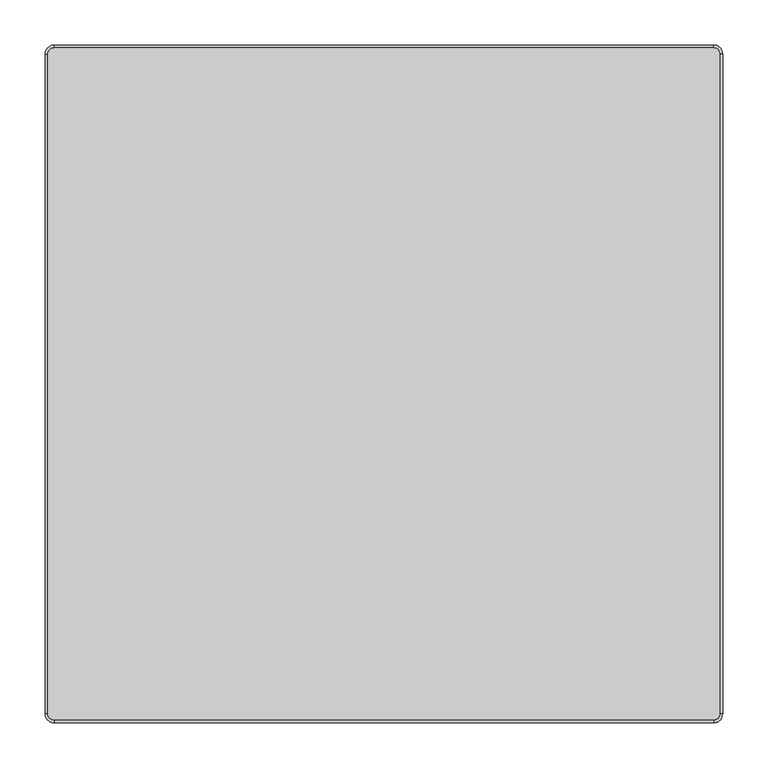
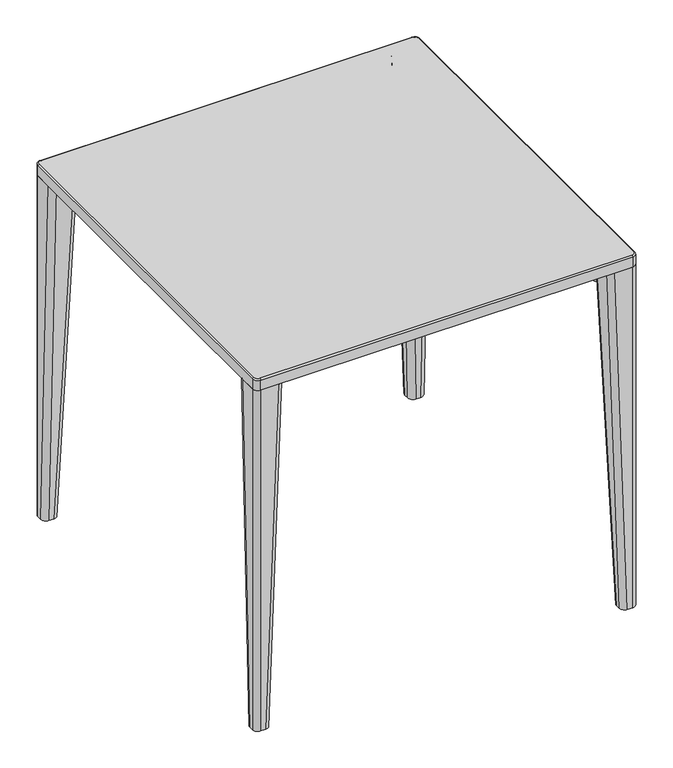
"""IFC4 building model written with IfcOpenShell, lengths in millimetres: furniture geometry."""

from ifc_helpers import new_model, si_unit, point, frame, frame_2d, origin, place, context, project, spatial, polyline, circle_curve, ellipse_curve, trimmed, segment, composite_curve, outline, extrude, source, transform, mapped, element, save
from ifc_brep_helpers import plane_surface, cylinder_surface, revolved_surface, extruded_surface, advanced_brep


def furniture_28138dd7(model_context):
    return source(origin(), model_context, "Body", "SolidModel", [
        advanced_brep(
        [(-372.0, -365.0, 730.0), (-365.0, -372.0, 730.0), (365.0, -372.0, 730.0), (372.0, -365.0, 730.0), (372.0, 365.0, 730.0), (365.0, 372.0, 730.0), (-365.0, 372.0, 730.0), (-372.0, 365.0, 730.0), (365.0, 375.0, 707.0), (375.0, 365.0, 707.0), (375.0, -365.0, 707.0), (365.0, -375.0, 707.0), (-365.0, -375.0, 707.0), (-375.0, -365.0, 707.0), (-375.0, 365.0, 707.0), (-365.0, 375.0, 707.0), (-230.0, -215.0, 707.0), (-350.0, -215.0, 707.0), (-365.0, -230.0, 707.0), (-365.0, -350.0, 707.0), (-350.0, -365.0, 707.0), (-230.0, -365.0, 707.0), (-215.0, -350.0, 707.0), (-215.0, -230.0, 707.0), (230.0, -215.0, 707.0), (215.0, -230.0, 707.0), (215.0, -350.0, 707.0), (230.0, -365.0, 707.0), (350.0, -365.0, 707.0), (365.0, -350.0, 707.0), (365.0, -230.0, 707.0), (350.0, -215.0, 707.0), (-230.0, 215.0, 707.0), (-215.0, 230.0, 707.0), (-215.0, 350.0, 707.0), (-230.0, 365.0, 707.0), (-350.0, 365.0, 707.0), (-365.0, 350.0, 707.0), (-365.0, 230.0, 707.0), (-350.0, 215.0, 707.0), (230.0, 215.0, 707.0), (350.0, 215.0, 707.0), (365.0, 230.0, 707.0), (365.0, 350.0, 707.0), (350.0, 365.0, 707.0), (230.0, 365.0, 707.0), (215.0, 350.0, 707.0), (215.0, 230.0, 707.0), (-365.0, 375.0, 727.0), (365.0, 375.0, 727.0), (-375.0, -365.0, 727.0000015), (-375.0, 365.0, 727.0), (365.0, -375.0, 727.0), (-365.0, -375.0, 727.0), (375.0, 365.0, 727.0), (375.0, -365.0, 727.0), (-230.0, -215.0, 710.5), (-215.0, -230.0, 710.5), (-215.0, -350.0, 710.5), (-230.0, -365.0, 710.5), (-350.0, -365.0, 710.5), (-365.0, -350.0, 710.5), (-365.0, -230.0, 710.5), (-350.0, -215.0, 710.5), (230.0, -215.0, 710.5), (350.0, -215.0, 710.5), (365.0, -230.0, 710.5), (365.0, -350.0, 710.5), (350.0, -365.0, 710.5), (230.0, -365.0, 710.5), (215.0, -350.0, 710.5), (215.0, -230.0, 710.5), (-230.0, 215.0, 710.5), (-350.0, 215.0, 710.5), (-365.0, 230.0, 710.5), (-365.0, 350.0, 710.5), (-350.0, 365.0, 710.5), (-230.0, 365.0, 710.5), (-215.0, 350.0, 710.5), (-215.0, 230.0, 710.5), (230.0, 215.0, 710.5), (215.0, 230.0, 710.5), (215.0, 350.0, 710.5), (230.0, 365.0, 710.5), (350.0, 365.0, 710.5), (365.0, 350.0, 710.5), (365.0, 230.0, 710.5), (350.0, 215.0, 710.5)],
        [
            (0, 1, circle_curve(frame((-365.0, -365.0, 730.0), z_axis=(0.0, 0.0, 1.0), x_axis=(-1.0, 0.0, 0.0)), 7.0)),
            (1, 2),
            (2, 3, circle_curve(frame((365.0, -365.0, 730.0), z_axis=(0.0, 0.0, 1.0), x_axis=(0.0, -1.0, 0.0)), 7.0)),
            (3, 4),
            (4, 5, circle_curve(frame((365.0, 365.0, 730.0), z_axis=(0.0, 0.0, 1.0), x_axis=(1.0, 0.0, 0.0)), 7.0)),
            (5, 6),
            (6, 7, circle_curve(frame((-365.0, 365.0, 730.0), z_axis=(0.0, 0.0, 1.0), x_axis=(0.0, 1.0, 0.0)), 7.0)),
            (7, 0),
            (8, 9, circle_curve(frame((365.0, 365.0, 707.0), z_axis=(0.0, 0.0, -1.0), x_axis=(1.0, 0.0, 0.0)), 10.0)),
            (9, 10),
            (10, 11, circle_curve(frame((365.0, -365.0, 707.0), z_axis=(0.0, 0.0, -1.0), x_axis=(1.0, 0.0, 0.0)), 10.0)),
            (11, 12),
            (12, 13, circle_curve(frame((-365.0, -365.0, 707.0), z_axis=(0.0, 0.0, -1.0), x_axis=(1.0, 0.0, 0.0)), 10.0)),
            (13, 14),
            (14, 15, circle_curve(frame((-365.0, 365.0, 707.0), z_axis=(0.0, 0.0, -1.0), x_axis=(1.0, 0.0, 0.0)), 10.0)),
            (15, 8),
            (16, 17),
            (17, 18, circle_curve(frame((-350.0, -230.0, 707.0), z_axis=(0.0, 0.0, 1.0), x_axis=(-0.7071067811866044, 0.7071067811864906, 0.0)), 15.0)),
            (18, 19),
            (19, 20, circle_curve(frame((-350.0, -350.0, 707.0), z_axis=(0.0, 0.0, 1.0), x_axis=(-0.7071067811866044, 0.7071067811864906, 0.0)), 15.0)),
            (20, 21),
            (21, 22, circle_curve(frame((-230.0, -350.0, 707.0), z_axis=(0.0, 0.0, 1.0), x_axis=(-0.7071067811866044, 0.7071067811864906, 0.0)), 15.0)),
            (22, 23),
            (23, 16, circle_curve(frame((-230.0, -230.0, 707.0), z_axis=(0.0, 0.0, 1.0), x_axis=(-0.7071067811866044, 0.7071067811864906, 0.0)), 15.0)),
            (24, 25, circle_curve(frame((230.0, -230.0, 707.0), z_axis=(0.0, 0.0, 1.0), x_axis=(-0.7071067811866044, 0.7071067811864906, 0.0)), 15.0)),
            (25, 26),
            (26, 27, circle_curve(frame((230.0, -350.0, 707.0), z_axis=(0.0, 0.0, 1.0), x_axis=(-0.7071067811866044, 0.7071067811864906, 0.0)), 15.0)),
            (27, 28),
            (28, 29, circle_curve(frame((350.0, -350.0, 707.0), z_axis=(0.0, 0.0, 1.0), x_axis=(-0.7071067811866044, 0.7071067811864906, 0.0)), 15.0)),
            (29, 30),
            (30, 31, circle_curve(frame((350.0, -230.0, 707.0), z_axis=(0.0, 0.0, 1.0), x_axis=(-0.7071067811866044, 0.7071067811864906, 0.0)), 15.0)),
            (31, 24),
            (32, 33, circle_curve(frame((-230.0, 230.0, 707.0), z_axis=(0.0, 0.0, 1.0), x_axis=(-0.7071067811866044, 0.7071067811864906, 0.0)), 15.0)),
            (33, 34),
            (34, 35, circle_curve(frame((-230.0, 350.0, 707.0), z_axis=(0.0, 0.0, 1.0), x_axis=(-0.7071067811866044, 0.7071067811864906, 0.0)), 15.0)),
            (35, 36),
            (36, 37, circle_curve(frame((-350.0, 350.0, 707.0), z_axis=(0.0, 0.0, 1.0), x_axis=(-0.7071067811866044, 0.7071067811864906, 0.0)), 15.0)),
            (37, 38),
            (38, 39, circle_curve(frame((-350.0, 230.0, 707.0), z_axis=(0.0, 0.0, 1.0), x_axis=(-0.7071067811866044, 0.7071067811864906, 0.0)), 15.0)),
            (39, 32),
            (40, 41),
            (41, 42, circle_curve(frame((350.0, 230.0, 707.0), z_axis=(0.0, 0.0, 1.0), x_axis=(-0.7071067811866044, 0.7071067811864906, 0.0)), 15.0)),
            (42, 43),
            (43, 44, circle_curve(frame((350.0, 350.0, 707.0), z_axis=(0.0, 0.0, 1.0), x_axis=(-0.7071067811866044, 0.7071067811864906, 0.0)), 15.0)),
            (44, 45),
            (45, 46, circle_curve(frame((230.0, 350.0, 707.0), z_axis=(0.0, 0.0, 1.0), x_axis=(-0.7071067811866044, 0.7071067811864906, 0.0)), 15.0)),
            (46, 47),
            (47, 40, circle_curve(frame((230.0, 230.0, 707.0), z_axis=(0.0, 0.0, 1.0), x_axis=(-0.7071067811866044, 0.7071067811864906, 0.0)), 15.0)),
            (15, 48),
            (48, 49),
            (49, 8),
            (13, 50),
            (50, 51),
            (51, 14),
            (11, 52),
            (52, 53),
            (53, 12),
            (9, 54),
            (54, 55),
            (55, 10),
            (51, 48, circle_curve(frame((-365.0, 365.0, 727.0), z_axis=(0.0, 0.0, -1.0), x_axis=(1.0, 0.0, 0.0)), 10.0)),
            (53, 50, circle_curve(frame((-365.0, -365.0, 727.0), z_axis=(0.0, 0.0, -1.0), x_axis=(1.0, 0.0, 0.0)), 10.0)),
            (55, 52, circle_curve(frame((365.0, -365.0, 727.0), z_axis=(0.0, 0.0, -1.0), x_axis=(1.0, 0.0, 0.0)), 10.0)),
            (49, 54, circle_curve(frame((365.0, 365.0, 727.0), z_axis=(0.0, 0.0, -1.0), x_axis=(1.0, 0.0, 0.0)), 10.0)),
            (53, 1, circle_curve(frame((-365.0, -372.0, 727.0), z_axis=(-1.0, 0.0, 0.0), x_axis=(0.0, 1.0, 0.0)), 3.0)),
            (0, 50, circle_curve(frame((-372.0, -365.0, 727.0), z_axis=(0.0, -1.0, 0.0), x_axis=(1.0, 0.0, 0.0)), 3.0)),
            (52, 2, circle_curve(frame((365.0, -372.0, 727.0), z_axis=(-1.0, 0.0, 0.0), x_axis=(0.0, 1.0, 0.0)), 3.0)),
            (55, 3, circle_curve(frame((372.0, -365.0, 727.0), z_axis=(0.0, -1.0, 0.0), x_axis=(-1.0, 0.0, 0.0)), 3.0)),
            (54, 4, circle_curve(frame((372.0, 365.0, 727.0), z_axis=(0.0, -1.0, 0.0), x_axis=(-1.0, 0.0, 0.0)), 3.0)),
            (49, 5, circle_curve(frame((365.0, 372.0, 727.0), z_axis=(1.0, 0.0, 0.0), x_axis=(0.0, -1.0, 0.0)), 3.0)),
            (48, 6, circle_curve(frame((-365.0, 372.0, 727.0), z_axis=(1.0, 0.0, 0.0), x_axis=(0.0, -1.0, 0.0)), 3.0)),
            (51, 7, circle_curve(frame((-372.0, 365.0, 727.0), z_axis=(0.0, 1.0, 0.0), x_axis=(1.0, 0.0, 0.0)), 3.0)),
            (56, 57, circle_curve(frame((-230.0, -230.0, 710.5), z_axis=(0.0, 0.0, -1.0), x_axis=(-0.7071067811866044, 0.7071067811864906, 0.0)), 15.0)),
            (57, 58),
            (58, 59, circle_curve(frame((-230.0, -350.0, 710.5), z_axis=(0.0, 0.0, -1.0), x_axis=(-0.7071067811866044, 0.7071067811864906, 0.0)), 15.0)),
            (59, 60),
            (60, 61, circle_curve(frame((-350.0, -350.0, 710.5), z_axis=(0.0, 0.0, -1.0), x_axis=(-0.7071067811866044, 0.7071067811864906, 0.0)), 15.0)),
            (61, 62),
            (62, 63, circle_curve(frame((-350.0, -230.0, 710.5), z_axis=(0.0, 0.0, -1.0), x_axis=(-0.7071067811866044, 0.7071067811864906, 0.0)), 15.0)),
            (63, 56),
            (64, 65),
            (65, 66, circle_curve(frame((350.0, -230.0, 710.5), z_axis=(0.0, 0.0, -1.0), x_axis=(-0.7071067811866044, 0.7071067811864906, 0.0)), 15.0)),
            (66, 67),
            (67, 68, circle_curve(frame((350.0, -350.0, 710.5), z_axis=(0.0, 0.0, -1.0), x_axis=(-0.7071067811866044, 0.7071067811864906, 0.0)), 15.0)),
            (68, 69),
            (69, 70, circle_curve(frame((230.0, -350.0, 710.5), z_axis=(0.0, 0.0, -1.0), x_axis=(-0.7071067811866044, 0.7071067811864906, 0.0)), 15.0)),
            (70, 71),
            (71, 64, circle_curve(frame((230.0, -230.0, 710.5), z_axis=(0.0, 0.0, -1.0), x_axis=(-0.7071067811866044, 0.7071067811864906, 0.0)), 15.0)),
            (72, 73),
            (73, 74, circle_curve(frame((-350.0, 230.0, 710.5), z_axis=(0.0, 0.0, -1.0), x_axis=(-0.7071067811866044, 0.7071067811864906, 0.0)), 15.0)),
            (74, 75),
            (75, 76, circle_curve(frame((-350.0, 350.0, 710.5), z_axis=(0.0, 0.0, -1.0), x_axis=(-0.7071067811866044, 0.7071067811864906, 0.0)), 15.0)),
            (76, 77),
            (77, 78, circle_curve(frame((-230.0, 350.0, 710.5), z_axis=(0.0, 0.0, -1.0), x_axis=(-0.7071067811866044, 0.7071067811864906, 0.0)), 15.0)),
            (78, 79),
            (79, 72, circle_curve(frame((-230.0, 230.0, 710.5), z_axis=(0.0, 0.0, -1.0), x_axis=(-0.7071067811866044, 0.7071067811864906, 0.0)), 15.0)),
            (80, 81, circle_curve(frame((230.0, 230.0, 710.5), z_axis=(0.0, 0.0, -1.0), x_axis=(-0.7071067811866044, 0.7071067811864906, 0.0)), 15.0)),
            (81, 82),
            (82, 83, circle_curve(frame((230.0, 350.0, 710.5), z_axis=(0.0, 0.0, -1.0), x_axis=(-0.7071067811866044, 0.7071067811864906, 0.0)), 15.0)),
            (83, 84),
            (84, 85, circle_curve(frame((350.0, 350.0, 710.5), z_axis=(0.0, 0.0, -1.0), x_axis=(-0.7071067811866044, 0.7071067811864906, 0.0)), 15.0)),
            (85, 86),
            (86, 87, circle_curve(frame((350.0, 230.0, 710.5), z_axis=(0.0, 0.0, -1.0), x_axis=(-0.7071067811866044, 0.7071067811864906, 0.0)), 15.0)),
            (87, 80),
            (63, 17),
            (16, 56),
            (62, 18),
            (61, 19),
            (60, 20),
            (59, 21),
            (58, 22),
            (57, 23),
            (71, 25),
            (24, 64),
            (70, 26),
            (69, 27),
            (68, 28),
            (67, 29),
            (66, 30),
            (65, 31),
            (79, 33),
            (32, 72),
            (78, 34),
            (77, 35),
            (76, 36),
            (75, 37),
            (74, 38),
            (73, 39),
            (87, 41),
            (40, 80),
            (86, 42),
            (85, 43),
            (84, 44),
            (83, 45),
            (82, 46),
            (81, 47),
        ],
        [
            plane_surface(frame((-250.0, 375.0, 730.0), z_axis=(0.0, 0.0, 1.0), x_axis=(-1.0, 0.0, 0.0))),
            plane_surface(frame((-250.0, 375.0, 707.0), z_axis=(0.0, 0.0, -1.0), x_axis=(1.0, 0.0, 0.0))),
            plane_surface(frame((365.0, 375.0, 730.0), z_axis=(0.0, 1.0, 0.0), x_axis=(0.0, 0.0, -1.0))),
            plane_surface(frame((-375.0, 365.0, 730.0), z_axis=(-1.0, 0.0, 0.0), x_axis=(0.0, 0.0, -1.0))),
            plane_surface(frame((-365.0, -375.0, 730.0), z_axis=(0.0, -1.0, 0.0), x_axis=(0.0, 0.0, -1.0))),
            plane_surface(frame((375.0, -365.0, 730.0), z_axis=(1.0, 0.0, 0.0), x_axis=(0.0, 0.0, -1.0))),
            cylinder_surface(frame((-365.0, 365.0, 707.0), z_axis=(0.0, 0.0, 1.0), x_axis=(1.0, 0.0, 0.0)), 10.0),
            cylinder_surface(frame((-365.0, -365.0, 707.0), z_axis=(0.0, 0.0, 1.0), x_axis=(1.0, 0.0, 0.0)), 10.0),
            cylinder_surface(frame((365.0, -365.0, 707.0), z_axis=(0.0, 0.0, 1.0), x_axis=(1.0, 0.0, 0.0)), 10.0),
            cylinder_surface(frame((365.0, 365.0, 707.0), z_axis=(0.0, 0.0, 1.0), x_axis=(1.0, 0.0, 0.0)), 10.0),
            revolved_surface(trimmed(ellipse_curve(frame((-372.0, -365.0, 727.0), z_axis=(0.0, 1.0, 0.0), x_axis=(1.0, 0.0, 0.0)), 3.0, 3.0), [point((-375.0, -365.0, 727.0))], [point((-372.0, -365.0, 730.0))], True, "CARTESIAN"), (-365.0, -365.0, 212.565852), (0.0, 0.0, 1.0)),
            cylinder_surface(frame((-365.0, -372.0, 727.0), z_axis=(1.0, 0.0, 0.0), x_axis=(0.0, 1.0, 0.0)), 3.0),
            revolved_surface(trimmed(ellipse_curve(frame((365.0, -372.0, 727.0), z_axis=(-1.0, 0.0, 0.0), x_axis=(0.0, 1.0, 0.0)), 3.0, 3.0), [point((365.0, -375.0, 727.0))], [point((365.0, -372.0, 730.0))], True, "CARTESIAN"), (365.0, -365.0, 212.565852), (0.0, 0.0, 1.0)),
            cylinder_surface(frame((372.0, -365.0, 727.0), z_axis=(0.0, 1.0, 0.0), x_axis=(-1.0, 0.0, 0.0)), 3.0),
            revolved_surface(trimmed(ellipse_curve(frame((372.0, 365.0, 727.0), z_axis=(0.0, -1.0, 0.0), x_axis=(-1.0, 0.0, 0.0)), 3.0, 3.0), [point((375.0, 365.0, 727.0))], [point((372.0, 365.0, 730.0))], True, "CARTESIAN"), (365.0, 365.0, 212.565852), (0.0, 0.0, 1.0)),
            cylinder_surface(frame((365.0, 372.0, 727.0), z_axis=(-1.0, 0.0, 0.0), x_axis=(0.0, -1.0, 0.0)), 3.0),
            revolved_surface(trimmed(ellipse_curve(frame((-365.0, 372.0, 727.0), z_axis=(1.0, 0.0, 0.0), x_axis=(0.0, -1.0, 0.0)), 3.0, 3.0), [point((-365.0, 375.0, 727.0))], [point((-365.0, 372.0, 730.0))], True, "CARTESIAN"), (-365.0, 365.0, 212.565852), (0.0, 0.0, 1.0)),
            cylinder_surface(frame((-372.0, 365.0, 727.0), z_axis=(0.0, -1.0, 0.0), x_axis=(1.0, 0.0, 0.0)), 3.0),
            plane_surface(frame((-325.0, -215.0, 710.5), z_axis=(0.0, 0.0, -1.0), x_axis=(-1.0, 0.0, 0.0))),
            plane_surface(frame((-230.0, -215.0, 710.5), z_axis=(0.0, -1.0, 0.0), x_axis=(0.0, 0.0, -1.0))),
            revolved_surface(polyline([(-360.6066017177991, -219.39339828220264, 710.5), (-360.6066017177991, -219.39339828220264, 707.0)]), (-350.0, -230.0, 689.2243474), (0.0, 0.0, 1.0)),
            plane_surface(frame((-365.0, -230.0, 710.5), z_axis=(1.0, 0.0, 0.0), x_axis=(0.0, 0.0, -1.0))),
            revolved_surface(polyline([(-360.6066017177991, -339.39339828220267, 710.5), (-360.6066017177991, -339.39339828220267, 707.0)]), (-350.0, -350.0, 689.2243474), (0.0, 0.0, 1.0)),
            plane_surface(frame((-350.0, -365.0, 710.5), z_axis=(0.0, 1.0, 0.0), x_axis=(0.0, 0.0, -1.0))),
            revolved_surface(polyline([(-240.60660171779907, -339.39339828220267, 710.5), (-240.60660171779907, -339.39339828220267, 707.0)]), (-230.0, -350.0, 689.2243474), (0.0, 0.0, 1.0)),
            plane_surface(frame((-215.0, -350.0, 710.5), z_axis=(-1.0, 0.0, 0.0), x_axis=(0.0, 0.0, -1.0))),
            revolved_surface(polyline([(-240.60660171779907, -219.39339828220264, 710.5), (-240.60660171779907, -219.39339828220264, 707.0)]), (-230.0, -230.0, 689.2243474), (0.0, 0.0, 1.0)),
            revolved_surface(polyline([(219.39339828220093, -219.39339828220264, 710.5), (219.39339828220093, -219.39339828220264, 707.0)]), (230.0, -230.0, 7.5), (0.0, 0.0, 1.0)),
            plane_surface(frame((215.0, -230.0, 710.5), z_axis=(1.0, 0.0, 0.0), x_axis=(0.0, 0.0, -1.0))),
            revolved_surface(polyline([(219.39339828220093, -339.39339828220267, 710.5), (219.39339828220093, -339.39339828220267, 707.0)]), (230.0, -350.0, 7.5), (0.0, 0.0, 1.0)),
            plane_surface(frame((230.0, -365.0, 710.5), z_axis=(0.0, 1.0, 0.0), x_axis=(0.0, 0.0, -1.0))),
            revolved_surface(polyline([(339.3933982822009, -339.39339828220267, 710.5), (339.3933982822009, -339.39339828220267, 707.0)]), (350.0, -350.0, 7.5), (0.0, 0.0, 1.0)),
            plane_surface(frame((365.0, -350.0, 710.5), z_axis=(-1.0, 0.0, 0.0), x_axis=(0.0, 0.0, -1.0))),
            revolved_surface(polyline([(339.3933982822009, -219.39339828220264, 710.5), (339.3933982822009, -219.39339828220264, 707.0)]), (350.0, -230.0, 7.5), (0.0, 0.0, 1.0)),
            plane_surface(frame((350.0, -215.0, 710.5), z_axis=(0.0, -1.0, 0.0), x_axis=(0.0, 0.0, -1.0))),
            revolved_surface(polyline([(-240.60660171779907, 240.60660171779736, 710.5), (-240.60660171779907, 240.60660171779736, 707.0)]), (-230.0, 230.0, 7.5), (0.0, 0.0, 1.0)),
            plane_surface(frame((-215.0, 230.0, 710.5), z_axis=(-1.0, 0.0, 0.0), x_axis=(0.0, 0.0, -1.0))),
            revolved_surface(polyline([(-240.60660171779907, 360.60660171779733, 710.5), (-240.60660171779907, 360.60660171779733, 707.0)]), (-230.0, 350.0, 7.5), (0.0, 0.0, 1.0)),
            plane_surface(frame((-230.0, 365.0, 710.5), z_axis=(0.0, -1.0, 0.0), x_axis=(0.0, 0.0, -1.0))),
            revolved_surface(polyline([(-360.6066017177991, 360.60660171779733, 710.5), (-360.6066017177991, 360.60660171779733, 707.0)]), (-350.0, 350.0, 7.5), (0.0, 0.0, 1.0)),
            plane_surface(frame((-365.0, 350.0, 710.5), z_axis=(1.0, 0.0, 0.0), x_axis=(0.0, 0.0, -1.0))),
            revolved_surface(polyline([(-360.6066017177991, 240.60660171779736, 710.5), (-360.6066017177991, 240.60660171779736, 707.0)]), (-350.0, 230.0, 7.5), (0.0, 0.0, 1.0)),
            plane_surface(frame((-350.0, 215.0, 710.5), z_axis=(0.0, 1.0, 0.0), x_axis=(0.0, 0.0, -1.0))),
            plane_surface(frame((230.0, 215.0, 710.5), z_axis=(0.0, 1.0, 0.0), x_axis=(0.0, 0.0, -1.0))),
            revolved_surface(polyline([(339.3933982822009, 240.60660171779736, 710.5), (339.3933982822009, 240.60660171779736, 707.0)]), (350.0, 230.0, 7.5), (0.0, 0.0, 1.0)),
            plane_surface(frame((365.0, 230.0, 710.5), z_axis=(-1.0, 0.0, 0.0), x_axis=(0.0, 0.0, -1.0))),
            revolved_surface(polyline([(339.3933982822009, 360.60660171779733, 710.5), (339.3933982822009, 360.60660171779733, 707.0)]), (350.0, 350.0, 7.5), (0.0, 0.0, 1.0)),
            plane_surface(frame((350.0, 365.0, 710.5), z_axis=(0.0, -1.0, 0.0), x_axis=(0.0, 0.0, -1.0))),
            revolved_surface(polyline([(219.39339828220093, 360.60660171779733, 710.5), (219.39339828220093, 360.60660171779733, 707.0)]), (230.0, 350.0, 7.5), (0.0, 0.0, 1.0)),
            plane_surface(frame((215.0, 350.0, 710.5), z_axis=(1.0, 0.0, 0.0), x_axis=(0.0, 0.0, -1.0))),
            revolved_surface(polyline([(219.39339828220093, 240.60660171779736, 710.5), (219.39339828220093, 240.60660171779736, 707.0)]), (230.0, 230.0, 7.5), (0.0, 0.0, 1.0)),
        ],
        [
            (0, [[1, 2, 3, 4, 5, 6, 7, 8]]),
            (1, [[9, 10, 11, 12, 13, 14, 15, 16], [17, 18, 19, 20, 21, 22, 23, 24], [25, 26, 27, 28, 29, 30, 31, 32], [33, 34, 35, 36, 37, 38, 39, 40], [41, 42, 43, 44, 45, 46, 47, 48]]),
            (2, [[-16, 49, 50, 51]]),
            (3, [[-14, 52, 53, 54]]),
            (4, [[-12, 55, 56, 57]]),
            (5, [[-10, 58, 59, 60]]),
            (6, [[-15, -54, 61, -49]]),
            (7, [[-13, -57, 62, -52]]),
            (8, [[-11, -60, 63, -55]]),
            (9, [[-9, -51, 64, -58]]),
            (10, [[65, -1, 66, -62]]),
            (11, [[-65, -56, 67, -2]]),
            (12, [[-67, -63, 68, -3]]),
            (13, [[-68, -59, 69, -4]]),
            (14, [[-69, -64, 70, -5]]),
            (15, [[-70, -50, 71, -6]]),
            (16, [[-71, -61, 72, -7]]),
            (17, [[-66, -8, -72, -53]]),
            (18, [[73, 74, 75, 76, 77, 78, 79, 80]]),
            (18, [[81, 82, 83, 84, 85, 86, 87, 88]]),
            (18, [[89, 90, 91, 92, 93, 94, 95, 96]]),
            (18, [[97, 98, 99, 100, 101, 102, 103, 104]]),
            (19, [[-80, 105, -17, 106]]),
            (20, [[-79, 107, -18, -105]]),
            (21, [[-78, 108, -19, -107]]),
            (22, [[-77, 109, -20, -108]]),
            (23, [[-76, 110, -21, -109]]),
            (24, [[-75, 111, -22, -110]]),
            (25, [[-74, 112, -23, -111]]),
            (26, [[-73, -106, -24, -112]]),
            (27, [[-88, 113, -25, 114]]),
            (28, [[-87, 115, -26, -113]]),
            (29, [[-86, 116, -27, -115]]),
            (30, [[-85, 117, -28, -116]]),
            (31, [[-84, 118, -29, -117]]),
            (32, [[-83, 119, -30, -118]]),
            (33, [[-82, 120, -31, -119]]),
            (34, [[-81, -114, -32, -120]]),
            (35, [[-96, 121, -33, 122]]),
            (36, [[-95, 123, -34, -121]]),
            (37, [[-94, 124, -35, -123]]),
            (38, [[-93, 125, -36, -124]]),
            (39, [[-92, 126, -37, -125]]),
            (40, [[-91, 127, -38, -126]]),
            (41, [[-90, 128, -39, -127]]),
            (42, [[-89, -122, -40, -128]]),
            (43, [[-104, 129, -41, 130]]),
            (44, [[-103, 131, -42, -129]]),
            (45, [[-102, 132, -43, -131]]),
            (46, [[-101, 133, -44, -132]]),
            (47, [[-100, 134, -45, -133]]),
            (48, [[-99, 135, -46, -134]]),
            (49, [[-98, 136, -47, -135]]),
            (50, [[-97, -130, -48, -136]]),
        ],
    ),
        advanced_brep(
        [(365.0000055, 320.0356915, 707.0), (375.0000055, 330.0356915, 707.0), (375.0000055, 365.0356915, 707.0), (365.0000055, 375.0356915, 707.0), (330.0356915, 375.0356915, 707.0), (320.0356915, 365.0356915, 707.0), (320.0356915, 330.0356915, 707.0), (330.0356915, 320.0356915, 707.0), (365.0000055, 344.9286171, 0.0), (354.9286169, 344.9286171, 0.0), (344.9286169, 354.9286171, 0.0), (344.9286169, 365.0356915, 0.0), (354.9286169, 375.0356915, 0.0), (365.0000055, 375.0356915, 0.0), (375.0000055, 365.0356915, 0.0), (375.0000055, 354.9286171, 0.0)],
        [
            (0, 1, circle_curve(frame((365.0000055, 330.0356915, 707.0), z_axis=(0.0, 0.0, 1.0), x_axis=(-1.0, 0.0, 0.0)), 10.0)),
            (1, 2),
            (2, 3, circle_curve(frame((365.0000055, 365.0356915, 707.0), z_axis=(0.0, 0.0, 1.0), x_axis=(0.0, 1.0, 0.0)), 10.0)),
            (3, 4),
            (4, 5, circle_curve(frame((330.0356915, 365.0356915, 707.0), z_axis=(0.0, 0.0, 1.0), x_axis=(-1.0, 0.0, 0.0)), 10.0)),
            (5, 6),
            (6, 7, circle_curve(frame((330.0356915, 330.0356915, 707.0), z_axis=(0.0, 0.0, 1.0), x_axis=(-1.0, 0.0, 0.0)), 10.0)),
            (7, 0),
            (8, 9),
            (9, 10, circle_curve(frame((354.9286169, 354.9286171, 0.0), z_axis=(0.0, 0.0, -1.0), x_axis=(-1.0, 0.0, 0.0)), 10.0)),
            (10, 11),
            (11, 12, circle_curve(frame((354.9286169, 365.0356915, 0.0), z_axis=(0.0, 0.0, -1.0), x_axis=(-1.0, 0.0, 0.0)), 10.0)),
            (12, 13),
            (13, 14, circle_curve(frame((365.0000055, 365.0356915, 0.0), z_axis=(0.0, 0.0, -1.0), x_axis=(0.0, 1.0, 0.0)), 10.0)),
            (14, 15),
            (15, 8, circle_curve(frame((365.0000055, 354.9286171, 0.0), z_axis=(0.0, 0.0, -1.0), x_axis=(-1.0, 0.0, 0.0)), 10.0)),
            (15, 1),
            (0, 8),
            (14, 2),
            (13, 3),
            (12, 4),
            (11, 5),
            (9, 7),
            (6, 10),
        ],
        [
            plane_surface(frame((347.5178485, 347.5356915, 707.0), z_axis=(0.0, 0.0, 1.0), x_axis=(1.0, 0.0, 0.0))),
            plane_surface(frame((359.9643112, 359.9821543, 0.0), z_axis=(0.0, 0.0, -1.0), x_axis=(1.0, 0.0, 0.0))),
            extruded_surface(trimmed(circle_curve(frame((365.0000055, 354.9286171, 0.0), z_axis=(0.0, 0.0, 1.0), x_axis=(-1.0, 0.0, 0.0)), 10.0), [point((365.0000055, 344.9286171, 0.0))], [point((375.0000055, 354.9286171, 0.0))], True, "CARTESIAN"), (0.0, -24.892925600000012, 707.0), 707.4380946379175),
            plane_surface(frame((375.0000055, 359.9821543, 0.0), z_axis=(1.0, 0.0, 0.0), x_axis=(0.0, 1.0, 0.0))),
            cylinder_surface(frame((365.0000055, 365.0356915, 0.0), z_axis=(0.0, 0.0, 1.0), x_axis=(0.0, 1.0, 0.0)), 10.0),
            plane_surface(frame((359.9643112, 375.0356915, 0.0), z_axis=(0.0, 1.0, 0.0), x_axis=(-1.0, 0.0, 0.0))),
            extruded_surface(trimmed(circle_curve(frame((354.9286169, 365.0356915, 0.0), z_axis=(0.0, 0.0, 1.0), x_axis=(-1.0, 0.0, 0.0)), 10.0), [point((354.9286169, 375.0356915, 0.0))], [point((344.9286169, 365.0356915, 0.0))], True, "CARTESIAN"), (-24.892925400000024, 0.0, 707.0), 707.4380946308801),
            extruded_surface(trimmed(circle_curve(frame((354.9286169, 354.9286171, 0.0), z_axis=(0.0, 0.0, 1.0), x_axis=(-1.0, 0.0, 0.0)), 10.0), [point((344.9286169, 354.9286171, 0.0))], [point((354.9286169, 344.9286171, 0.0))], True, "CARTESIAN"), (-24.892925400000024, -24.892925600000012, 707.0), 707.8759181381275),
            plane_surface(frame((359.9643112, 344.9286171, 0.0), z_axis=(0.0, -0.999380730780297, -0.03518742595075023), x_axis=(1.0, 0.0, 0.0))),
            plane_surface(frame((344.9286169, 359.9821543, 0.0), z_axis=(-0.9993807307883155, 0.0, -0.035187425723012825), x_axis=(0.0, -1.0, 0.0))),
        ],
        [
            (0, [[1, 2, 3, 4, 5, 6, 7, 8]]),
            (1, [[9, 10, 11, 12, 13, 14, 15, 16]]),
            (2, [[-16, 17, -1, 18]]),
            (3, [[-15, 19, -2, -17]]),
            (4, [[-14, 20, -3, -19]]),
            (5, [[-13, 21, -4, -20]]),
            (6, [[-12, 22, -5, -21]]),
            (7, [[-10, 23, -7, 24]]),
            (8, [[-9, -18, -8, -23]]),
            (9, [[-11, -24, -6, -22]]),
        ],
    ),
        extrude(outline(composite_curve([segment(polyline([(-8.2207438, 0.0), (9.7379156, -5.5739147), (-4.0458607, -49.9840207), (-152.5023794, -3.9068632), (-151.7265313, -1.4071494)]), True, "CONTINUOUS"), segment(trimmed(circle_curve(frame_2d((-149.8164193, -1.9999999)), 2.0), [point((-151.7265313, -1.4071494))], [point((-149.8164194, 1e-07))], False, "CARTESIAN"), True, "CONTINUOUS"), segment(polyline([(-149.8164194, 1e-07), (-8.2207438, 0.0)]), True, "CONTINUOUS")], self_intersect=False)), frame((332.1766448, 328.6411109, 658.0631636), z_axis=(-0.7071067811865486, 0.7071067811865465, 0.0), x_axis=(0.6753266037234036, 0.6753266037234056, -0.29642529684023844)), (0.0, 0.0, 1.0), 5.0),
        extrude(outline(composite_curve([segment(trimmed(circle_curve(frame_2d((230.0, 230.0)), 15.0), [point((230.0, 215.0))], [point((215.0, 230.0))], False, "CARTESIAN"), True, "CONTINUOUS"), segment(polyline([(215.0, 230.0), (215.0, 350.0)]), True, "CONTINUOUS"), segment(trimmed(circle_curve(frame_2d((230.0, 350.0)), 15.0), [point((215.0, 350.0))], [point((230.0, 365.0))], False, "CARTESIAN"), True, "CONTINUOUS"), segment(polyline([(230.0, 365.0), (350.0, 365.0)]), True, "CONTINUOUS"), segment(trimmed(circle_curve(frame_2d((350.0, 350.0)), 15.0), [point((350.0, 365.0))], [point((365.0, 350.0))], False, "CARTESIAN"), True, "CONTINUOUS"), segment(polyline([(365.0, 350.0), (365.0, 230.0)]), True, "CONTINUOUS"), segment(trimmed(circle_curve(frame_2d((350.0, 230.0)), 15.0), [point((365.0, 230.0))], [point((350.0, 215.0))], False, "CARTESIAN"), True, "CONTINUOUS"), segment(polyline([(350.0, 215.0), (230.0, 215.0)]), True, "CONTINUOUS")], self_intersect=False)), frame((0.0, 0.0, 707.0), z_axis=(0.0, 0.0, 1.0), x_axis=(1.0, 0.0, 0.0)), (0.0, 0.0, 1.0), 3.5),
        advanced_brep(
        [(-365.0000055, 320.0356915, 707.0), (-330.0356915, 320.0356915, 707.0), (-320.0356915, 330.0356915, 707.0), (-320.0356915, 365.0356915, 707.0), (-330.0356915, 375.0356915, 707.0), (-365.0000055, 375.0356915, 707.0), (-375.0000055, 365.0356915, 707.0), (-375.0000055, 330.0356915, 707.0), (-365.0000055, 344.9286171, 0.0), (-375.0000055, 354.9286171, 0.0), (-375.0000055, 365.0356915, 0.0), (-365.0000055, 375.0356915, 0.0), (-354.9286169, 375.0356915, 0.0), (-344.9286169, 365.0356915, 0.0), (-344.9286169, 354.9286171, 0.0), (-354.9286169, 344.9286171, 0.0)],
        [
            (0, 1),
            (1, 2, circle_curve(frame((-330.0356915, 330.0356915, 707.0), z_axis=(0.0, 0.0, 1.0), x_axis=(1.0, 0.0, 0.0)), 10.0)),
            (2, 3),
            (3, 4, circle_curve(frame((-330.0356915, 365.0356915, 707.0), z_axis=(0.0, 0.0, 1.0), x_axis=(1.0, 0.0, 0.0)), 10.0)),
            (4, 5),
            (5, 6, circle_curve(frame((-365.0000055, 365.0356915, 707.0), z_axis=(0.0, 0.0, 1.0), x_axis=(-1.0, 0.0, 0.0)), 10.0)),
            (6, 7),
            (7, 0, circle_curve(frame((-365.0000055, 330.0356915, 707.0), z_axis=(0.0, 0.0, 1.0), x_axis=(1.0, 0.0, 0.0)), 10.0)),
            (8, 9, circle_curve(frame((-365.0000055, 354.9286171, 0.0), z_axis=(0.0, 0.0, -1.0), x_axis=(1.0, 0.0, 0.0)), 10.0)),
            (9, 10),
            (10, 11, circle_curve(frame((-365.0000055, 365.0356915, 0.0), z_axis=(0.0, 0.0, -1.0), x_axis=(-1.0, 0.0, 0.0)), 10.0)),
            (11, 12),
            (12, 13, circle_curve(frame((-354.9286169, 365.0356915, 0.0), z_axis=(0.0, 0.0, -1.0), x_axis=(1.0, 0.0, 0.0)), 10.0)),
            (13, 14),
            (14, 15, circle_curve(frame((-354.9286169, 354.9286171, 0.0), z_axis=(0.0, 0.0, -1.0), x_axis=(1.0, 0.0, 0.0)), 10.0)),
            (15, 8),
            (8, 0),
            (7, 9),
            (6, 10),
            (5, 11),
            (4, 12),
            (3, 13),
            (14, 2),
            (1, 15),
        ],
        [
            plane_surface(frame((-347.5178485, 347.5356915, 707.0), z_axis=(0.0, 0.0, 1.0), x_axis=(1.0, 0.0, 0.0))),
            plane_surface(frame((-359.9643112, 359.9821543, 0.0), z_axis=(0.0, 0.0, -1.0), x_axis=(1.0, 0.0, 0.0))),
            extruded_surface(trimmed(circle_curve(frame((-365.0000055, 354.9286171, 0.0), z_axis=(0.0, 0.0, 1.0), x_axis=(1.0, 0.0, 0.0)), 10.0), [point((-375.0000055, 354.9286171, 0.0))], [point((-365.0000055, 344.9286171, 0.0))], True, "CARTESIAN"), (0.0, -24.892925600000012, 707.0), 707.4380946379175),
            plane_surface(frame((-375.0000055, 359.9821543, 0.0), z_axis=(-1.0, 0.0, 0.0), x_axis=(0.0, -1.0, 0.0))),
            cylinder_surface(frame((-365.0000055, 365.0356915, 0.0), z_axis=(0.0, 0.0, 1.0), x_axis=(-1.0, 0.0, 0.0)), 10.0),
            plane_surface(frame((-359.9643112, 375.0356915, 0.0), z_axis=(0.0, 1.0, 0.0), x_axis=(-1.0, 0.0, 0.0))),
            extruded_surface(trimmed(circle_curve(frame((-354.9286169, 365.0356915, 0.0), z_axis=(0.0, 0.0, 1.0), x_axis=(1.0, 0.0, 0.0)), 10.0), [point((-344.9286169, 365.0356915, 0.0))], [point((-354.9286169, 375.0356915, 0.0))], True, "CARTESIAN"), (24.892925400000024, 0.0, 707.0), 707.4380946308801),
            extruded_surface(trimmed(circle_curve(frame((-354.9286169, 354.9286171, 0.0), z_axis=(0.0, 0.0, 1.0), x_axis=(1.0, 0.0, 0.0)), 10.0), [point((-354.9286169, 344.9286171, 0.0))], [point((-344.9286169, 354.9286171, 0.0))], True, "CARTESIAN"), (24.892925400000024, -24.892925600000012, 707.0), 707.8759181381275),
            plane_surface(frame((-359.9643112, 344.9286171, 0.0), z_axis=(0.0, -0.999380730780297, -0.03518742595075023), x_axis=(1.0, 0.0, 0.0))),
            plane_surface(frame((-344.9286169, 359.9821543, 0.0), z_axis=(0.9993807307883155, 0.0, -0.035187425723012825), x_axis=(0.0, 1.0, 0.0))),
        ],
        [
            (0, [[1, 2, 3, 4, 5, 6, 7, 8]]),
            (1, [[9, 10, 11, 12, 13, 14, 15, 16]]),
            (2, [[-9, 17, -8, 18]]),
            (3, [[-10, -18, -7, 19]]),
            (4, [[-11, -19, -6, 20]]),
            (5, [[-12, -20, -5, 21]]),
            (6, [[-13, -21, -4, 22]]),
            (7, [[-15, 23, -2, 24]]),
            (8, [[-16, -24, -1, -17]]),
            (9, [[-14, -22, -3, -23]]),
        ],
    ),
        extrude(outline(composite_curve([segment(polyline([(18.8037755, 0.0), (154.035581, -41.9725401)]), True, "CONTINUOUS"), segment(trimmed(circle_curve(frame_2d((153.4427304, -43.8826522)), 2.0), [point((154.035581, -41.9725401))], [point((155.4427303, -43.8826522))], False, "CARTESIAN"), True, "CONTINUOUS"), segment(polyline([(155.4427303, -43.8826522), (155.4427303, -46.5), (0.0, -46.5), (0.0, 0.0), (18.8037755, 0.0)]), True, "CONTINUOUS")], self_intersect=False)), frame((-339.921235, 336.3857011, 660.5), z_axis=(0.7071067811865487, 0.7071067811865464, 0.0), x_axis=(0.7071067811865464, -0.7071067811865487, 0.0)), (0.0, 0.0, 1.0), 5.0),
        extrude(outline(composite_curve([segment(polyline([(-230.0, 215.0), (-350.0, 215.0)]), True, "CONTINUOUS"), segment(trimmed(circle_curve(frame_2d((-350.0, 230.0)), 15.0), [point((-350.0, 215.0))], [point((-365.0, 230.0))], False, "CARTESIAN"), True, "CONTINUOUS"), segment(polyline([(-365.0, 230.0), (-365.0, 350.0)]), True, "CONTINUOUS"), segment(trimmed(circle_curve(frame_2d((-350.0, 350.0)), 15.0), [point((-365.0, 350.0))], [point((-350.0, 365.0))], False, "CARTESIAN"), True, "CONTINUOUS"), segment(polyline([(-350.0, 365.0), (-230.0, 365.0)]), True, "CONTINUOUS"), segment(trimmed(circle_curve(frame_2d((-230.0, 350.0)), 15.0), [point((-230.0, 365.0))], [point((-215.0, 350.0))], False, "CARTESIAN"), True, "CONTINUOUS"), segment(polyline([(-215.0, 350.0), (-215.0, 230.0)]), True, "CONTINUOUS"), segment(trimmed(circle_curve(frame_2d((-230.0, 230.0)), 15.0), [point((-215.0, 230.0))], [point((-230.0, 215.0))], False, "CARTESIAN"), True, "CONTINUOUS")], self_intersect=False)), frame((0.0, 0.0, 707.0), z_axis=(0.0, 0.0, 1.0), x_axis=(1.0, 0.0, 0.0)), (0.0, 0.0, 1.0), 3.5),
        advanced_brep(
        [(365.0000055, -320.0356915, 707.0), (330.0356915, -320.0356915, 707.0), (320.0356915, -330.0356915, 707.0), (320.0356915, -365.0356915, 707.0), (330.0356915, -375.0356915, 707.0), (365.0000055, -375.0356915, 707.0), (375.0000055, -365.0356915, 707.0), (375.0000055, -330.0356915, 707.0), (365.0000055, -344.9286171, 0.0), (375.0000055, -354.9286171, 0.0), (375.0000055, -365.0356915, 0.0), (365.0000055, -375.0356915, 0.0), (354.9286169, -375.0356915, 0.0), (344.9286169, -365.0356915, 0.0), (344.9286169, -354.9286171, 0.0), (354.9286169, -344.9286171, 0.0)],
        [
            (0, 1),
            (1, 2, circle_curve(frame((330.0356915, -330.0356915, 707.0), z_axis=(0.0, 0.0, 1.0), x_axis=(-1.0, 0.0, 0.0)), 10.0)),
            (2, 3),
            (3, 4, circle_curve(frame((330.0356915, -365.0356915, 707.0), z_axis=(0.0, 0.0, 1.0), x_axis=(-1.0, 0.0, 0.0)), 10.0)),
            (4, 5),
            (5, 6, circle_curve(frame((365.0000055, -365.0356915, 707.0), z_axis=(0.0, 0.0, 1.0), x_axis=(1.0, 0.0, 0.0)), 10.0)),
            (6, 7),
            (7, 0, circle_curve(frame((365.0000055, -330.0356915, 707.0), z_axis=(0.0, 0.0, 1.0), x_axis=(-1.0, 0.0, 0.0)), 10.0)),
            (8, 9, circle_curve(frame((365.0000055, -354.9286171, 0.0), z_axis=(0.0, 0.0, -1.0), x_axis=(-1.0, 0.0, 0.0)), 10.0)),
            (9, 10),
            (10, 11, circle_curve(frame((365.0000055, -365.0356915, 0.0), z_axis=(0.0, 0.0, -1.0), x_axis=(1.0, 0.0, 0.0)), 10.0)),
            (11, 12),
            (12, 13, circle_curve(frame((354.9286169, -365.0356915, 0.0), z_axis=(0.0, 0.0, -1.0), x_axis=(-1.0, 0.0, 0.0)), 10.0)),
            (13, 14),
            (14, 15, circle_curve(frame((354.9286169, -354.9286171, 0.0), z_axis=(0.0, 0.0, -1.0), x_axis=(-1.0, 0.0, 0.0)), 10.0)),
            (15, 8),
            (8, 0),
            (7, 9),
            (6, 10),
            (5, 11),
            (4, 12),
            (3, 13),
            (14, 2),
            (1, 15),
        ],
        [
            plane_surface(frame((347.5178485, -347.5356915, 707.0), z_axis=(0.0, 0.0, 1.0), x_axis=(-1.0, 0.0, 0.0))),
            plane_surface(frame((359.9643112, -359.9821543, 0.0), z_axis=(0.0, 0.0, -1.0), x_axis=(-1.0, 0.0, 0.0))),
            extruded_surface(trimmed(circle_curve(frame((365.0000055, -354.9286171, 0.0), z_axis=(0.0, 0.0, 1.0), x_axis=(-1.0, 0.0, 0.0)), 10.0), [point((375.0000055, -354.9286171, 0.0))], [point((365.0000055, -344.9286171, 0.0))], True, "CARTESIAN"), (0.0, 24.892925600000012, 707.0), 707.4380946379175),
            plane_surface(frame((375.0000055, -359.9821543, 0.0), z_axis=(1.0, 0.0, 0.0), x_axis=(0.0, 1.0, 0.0))),
            cylinder_surface(frame((365.0000055, -365.0356915, 0.0), z_axis=(0.0, 0.0, 1.0), x_axis=(1.0, 0.0, 0.0)), 10.0),
            plane_surface(frame((359.9643112, -375.0356915, 0.0), z_axis=(0.0, -1.0, 0.0), x_axis=(1.0, 0.0, 0.0))),
            extruded_surface(trimmed(circle_curve(frame((354.9286169, -365.0356915, 0.0), z_axis=(0.0, 0.0, 1.0), x_axis=(-1.0, 0.0, 0.0)), 10.0), [point((344.9286169, -365.0356915, 0.0))], [point((354.9286169, -375.0356915, 0.0))], True, "CARTESIAN"), (-24.892925400000024, 0.0, 707.0), 707.4380946308801),
            extruded_surface(trimmed(circle_curve(frame((354.9286169, -354.9286171, 0.0), z_axis=(0.0, 0.0, 1.0), x_axis=(-1.0, 0.0, 0.0)), 10.0), [point((354.9286169, -344.9286171, 0.0))], [point((344.9286169, -354.9286171, 0.0))], True, "CARTESIAN"), (-24.892925400000024, 24.892925600000012, 707.0), 707.8759181381275),
            plane_surface(frame((359.9643112, -344.9286171, 0.0), z_axis=(0.0, 0.999380730780297, -0.03518742595075023), x_axis=(-1.0, 0.0, 0.0))),
            plane_surface(frame((344.9286169, -359.9821543, 0.0), z_axis=(-0.9993807307883155, 0.0, -0.035187425723012825), x_axis=(0.0, -1.0, 0.0))),
        ],
        [
            (0, [[1, 2, 3, 4, 5, 6, 7, 8]]),
            (1, [[9, 10, 11, 12, 13, 14, 15, 16]]),
            (2, [[-9, 17, -8, 18]]),
            (3, [[-10, -18, -7, 19]]),
            (4, [[-11, -19, -6, 20]]),
            (5, [[-12, -20, -5, 21]]),
            (6, [[-13, -21, -4, 22]]),
            (7, [[-15, 23, -2, 24]]),
            (8, [[-16, -24, -1, -17]]),
            (9, [[-14, -22, -3, -23]]),
        ],
    ),
        extrude(outline(composite_curve([segment(polyline([(-18.8037755, 0.0), (0.0, 0.0), (0.0, -46.5), (-155.4427303, -46.5), (-155.4427303, -43.8826522)]), True, "CONTINUOUS"), segment(trimmed(circle_curve(frame_2d((-153.4427304, -43.8826522)), 2.0), [point((-155.4427303, -43.8826522))], [point((-154.035581, -41.9725401))], False, "CARTESIAN"), True, "CONTINUOUS"), segment(polyline([(-154.035581, -41.9725401), (-18.8037755, 0.0)]), True, "CONTINUOUS")], self_intersect=False)), frame((336.3857011, -339.921235, 660.5), z_axis=(0.7071067811865487, 0.7071067811865464, 0.0), x_axis=(0.7071067811865464, -0.7071067811865487, 0.0)), (0.0, 0.0, 1.0), 5.0),
        extrude(outline(composite_curve([segment(polyline([(230.0, -215.0), (350.0, -215.0)]), True, "CONTINUOUS"), segment(trimmed(circle_curve(frame_2d((350.0, -230.0)), 15.0), [point((350.0, -215.0))], [point((365.0, -230.0))], False, "CARTESIAN"), True, "CONTINUOUS"), segment(polyline([(365.0, -230.0), (365.0, -350.0)]), True, "CONTINUOUS"), segment(trimmed(circle_curve(frame_2d((350.0, -350.0)), 15.0), [point((365.0, -350.0))], [point((350.0, -365.0))], False, "CARTESIAN"), True, "CONTINUOUS"), segment(polyline([(350.0, -365.0), (230.0, -365.0)]), True, "CONTINUOUS"), segment(trimmed(circle_curve(frame_2d((230.0, -350.0)), 15.0), [point((230.0, -365.0))], [point((215.0, -350.0))], False, "CARTESIAN"), True, "CONTINUOUS"), segment(polyline([(215.0, -350.0), (215.0, -230.0)]), True, "CONTINUOUS"), segment(trimmed(circle_curve(frame_2d((230.0, -230.0)), 15.0), [point((215.0, -230.0))], [point((230.0, -215.0))], False, "CARTESIAN"), True, "CONTINUOUS")], self_intersect=False)), frame((0.0, 0.0, 707.0), z_axis=(0.0, 0.0, 1.0), x_axis=(1.0, 0.0, 0.0)), (0.0, 0.0, 1.0), 3.5),
        advanced_brep(
        [(-365.0000055, -320.0356915, 707.0), (-375.0000055, -330.0356915, 707.0), (-375.0000055, -365.0356915, 707.0), (-365.0000055, -375.0356915, 707.0), (-330.0356915, -375.0356915, 707.0), (-320.0356915, -365.0356915, 707.0), (-320.0356915, -330.0356915, 707.0), (-330.0356915, -320.0356915, 707.0), (-365.0000055, -344.9286171, 0.0), (-354.9286169, -344.9286171, 0.0), (-344.9286169, -354.9286171, 0.0), (-344.9286169, -365.0356915, 0.0), (-354.9286169, -375.0356915, 0.0), (-365.0000055, -375.0356915, 0.0), (-375.0000055, -365.0356915, 0.0), (-375.0000055, -354.9286171, 0.0)],
        [
            (0, 1, circle_curve(frame((-365.0000055, -330.0356915, 707.0), z_axis=(0.0, 0.0, 1.0), x_axis=(1.0, 0.0, 0.0)), 10.0)),
            (1, 2),
            (2, 3, circle_curve(frame((-365.0000055, -365.0356915, 707.0), z_axis=(0.0, 0.0, 1.0), x_axis=(0.0, -1.0, 0.0)), 10.0)),
            (3, 4),
            (4, 5, circle_curve(frame((-330.0356915, -365.0356915, 707.0), z_axis=(0.0, 0.0, 1.0), x_axis=(1.0, 0.0, 0.0)), 10.0)),
            (5, 6),
            (6, 7, circle_curve(frame((-330.0356915, -330.0356915, 707.0), z_axis=(0.0, 0.0, 1.0), x_axis=(1.0, 0.0, 0.0)), 10.0)),
            (7, 0),
            (8, 9),
            (9, 10, circle_curve(frame((-354.9286169, -354.9286171, 0.0), z_axis=(0.0, 0.0, -1.0), x_axis=(1.0, 0.0, 0.0)), 10.0)),
            (10, 11),
            (11, 12, circle_curve(frame((-354.9286169, -365.0356915, 0.0), z_axis=(0.0, 0.0, -1.0), x_axis=(1.0, 0.0, 0.0)), 10.0)),
            (12, 13),
            (13, 14, circle_curve(frame((-365.0000055, -365.0356915, 0.0), z_axis=(0.0, 0.0, -1.0), x_axis=(0.0, -1.0, 0.0)), 10.0)),
            (14, 15),
            (15, 8, circle_curve(frame((-365.0000055, -354.9286171, 0.0), z_axis=(0.0, 0.0, -1.0), x_axis=(1.0, 0.0, 0.0)), 10.0)),
            (15, 1),
            (0, 8),
            (14, 2),
            (13, 3),
            (12, 4),
            (11, 5),
            (9, 7),
            (6, 10),
        ],
        [
            plane_surface(frame((-347.5178485, -347.5356915, 707.0), z_axis=(0.0, 0.0, 1.0), x_axis=(-1.0, 0.0, 0.0))),
            plane_surface(frame((-359.9643112, -359.9821543, 0.0), z_axis=(0.0, 0.0, -1.0), x_axis=(-1.0, 0.0, 0.0))),
            extruded_surface(trimmed(circle_curve(frame((-365.0000055, -354.9286171, 0.0), z_axis=(0.0, 0.0, 1.0), x_axis=(1.0, 0.0, 0.0)), 10.0), [point((-365.0000055, -344.9286171, 0.0))], [point((-375.0000055, -354.9286171, 0.0))], True, "CARTESIAN"), (0.0, 24.892925600000012, 707.0), 707.4380946379175),
            plane_surface(frame((-375.0000055, -359.9821543, 0.0), z_axis=(-1.0, 0.0, 0.0), x_axis=(0.0, -1.0, 0.0))),
            cylinder_surface(frame((-365.0000055, -365.0356915, 0.0), z_axis=(0.0, 0.0, 1.0), x_axis=(0.0, -1.0, 0.0)), 10.0),
            plane_surface(frame((-359.9643112, -375.0356915, 0.0), z_axis=(0.0, -1.0, 0.0), x_axis=(1.0, 0.0, 0.0))),
            extruded_surface(trimmed(circle_curve(frame((-354.9286169, -365.0356915, 0.0), z_axis=(0.0, 0.0, 1.0), x_axis=(1.0, 0.0, 0.0)), 10.0), [point((-354.9286169, -375.0356915, 0.0))], [point((-344.9286169, -365.0356915, 0.0))], True, "CARTESIAN"), (24.892925400000024, 0.0, 707.0), 707.4380946308801),
            extruded_surface(trimmed(circle_curve(frame((-354.9286169, -354.9286171, 0.0), z_axis=(0.0, 0.0, 1.0), x_axis=(1.0, 0.0, 0.0)), 10.0), [point((-344.9286169, -354.9286171, 0.0))], [point((-354.9286169, -344.9286171, 0.0))], True, "CARTESIAN"), (24.892925400000024, 24.892925600000012, 707.0), 707.8759181381275),
            plane_surface(frame((-359.9643112, -344.9286171, 0.0), z_axis=(0.0, 0.999380730780297, -0.03518742595075023), x_axis=(-1.0, 0.0, 0.0))),
            plane_surface(frame((-344.9286169, -359.9821543, 0.0), z_axis=(0.9993807307883155, 0.0, -0.035187425723012825), x_axis=(0.0, 1.0, 0.0))),
        ],
        [
            (0, [[1, 2, 3, 4, 5, 6, 7, 8]]),
            (1, [[9, 10, 11, 12, 13, 14, 15, 16]]),
            (2, [[-16, 17, -1, 18]]),
            (3, [[-15, 19, -2, -17]]),
            (4, [[-14, 20, -3, -19]]),
            (5, [[-13, 21, -4, -20]]),
            (6, [[-12, 22, -5, -21]]),
            (7, [[-10, 23, -7, 24]]),
            (8, [[-9, -18, -8, -23]]),
            (9, [[-11, -24, -6, -22]]),
        ],
    ),
        extrude(outline(composite_curve([segment(polyline([(8.2207438, 0.0), (149.8164194, 1e-07)]), True, "CONTINUOUS"), segment(trimmed(circle_curve(frame_2d((149.8164193, -1.9999999)), 2.0), [point((149.8164194, 1e-07))], [point((151.7265313, -1.4071494))], False, "CARTESIAN"), True, "CONTINUOUS"), segment(polyline([(151.7265313, -1.4071494), (152.5023794, -3.9068632), (4.0458607, -49.9840207), (-9.7379156, -5.5739147), (8.2207438, 0.0)]), True, "CONTINUOUS")], self_intersect=False)), frame((-328.6411109, -332.1766448, 658.0631636), z_axis=(-0.7071067811865486, 0.7071067811865465, 0.0), x_axis=(0.6753266037234036, 0.6753266037234056, 0.29642529684023844)), (0.0, 0.0, 1.0), 5.0),
        extrude(outline(composite_curve([segment(trimmed(circle_curve(frame_2d((-230.0, -230.0)), 15.0), [point((-230.0, -215.0))], [point((-215.0, -230.0))], False, "CARTESIAN"), True, "CONTINUOUS"), segment(polyline([(-215.0, -230.0), (-215.0, -350.0)]), True, "CONTINUOUS"), segment(trimmed(circle_curve(frame_2d((-230.0, -350.0)), 15.0), [point((-215.0, -350.0))], [point((-230.0, -365.0))], False, "CARTESIAN"), True, "CONTINUOUS"), segment(polyline([(-230.0, -365.0), (-350.0, -365.0)]), True, "CONTINUOUS"), segment(trimmed(circle_curve(frame_2d((-350.0, -350.0)), 15.0), [point((-350.0, -365.0))], [point((-365.0, -350.0))], False, "CARTESIAN"), True, "CONTINUOUS"), segment(polyline([(-365.0, -350.0), (-365.0, -230.0)]), True, "CONTINUOUS"), segment(trimmed(circle_curve(frame_2d((-350.0, -230.0)), 15.0), [point((-365.0, -230.0))], [point((-350.0, -215.0))], False, "CARTESIAN"), True, "CONTINUOUS"), segment(polyline([(-350.0, -215.0), (-230.0, -215.0)]), True, "CONTINUOUS")], self_intersect=False)), frame((0.0, 0.0, 707.0), z_axis=(0.0, 0.0, 1.0), x_axis=(1.0, 0.0, 0.0)), (0.0, 0.0, 1.0), 3.5),
    ])


if __name__ == "__main__":
    model = new_model("IFC4")
    model_context = context("Model", 3, world=origin())
    ifc_project = project(units=[si_unit("LENGTHUNIT", "METRE", prefix="MILLI")], contexts=[model_context])
    site = spatial("IfcSite", under=ifc_project)
    building = spatial("IfcBuilding", under=site)
    placement = place(None, origin())
    furniture_shape = furniture_28138dd7(model_context)
    element("IfcFurniture", 1, at=placement, inside=building, context=model_context, shape_type="MappedRepresentation", body=[
        mapped(furniture_shape, transform((0.0, 0.0, 0.0), x_axis=(1.0, 0.0, 0.0), y_axis=(0.0, 1.0, 0.0), z_axis=(0.0, 0.0, 1.0))),
    ])
    save(model, "model.ifc")
